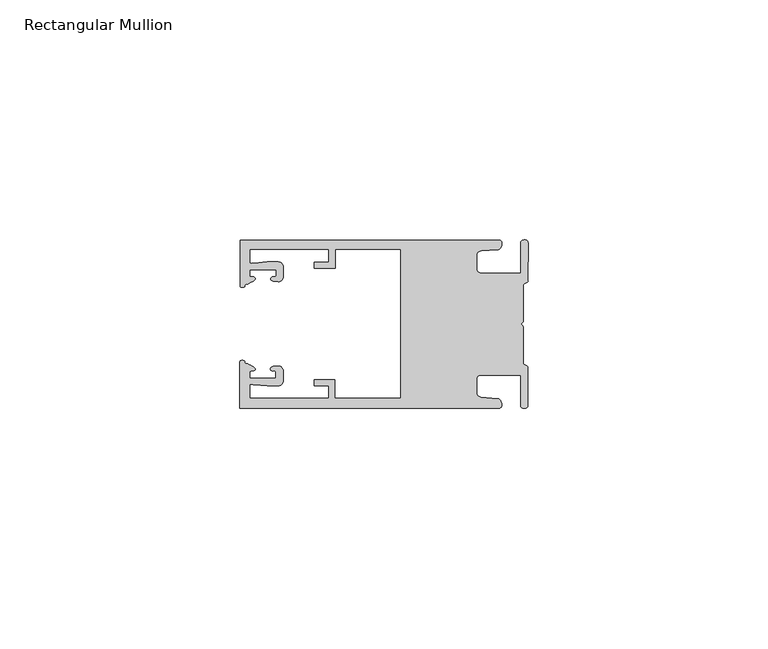
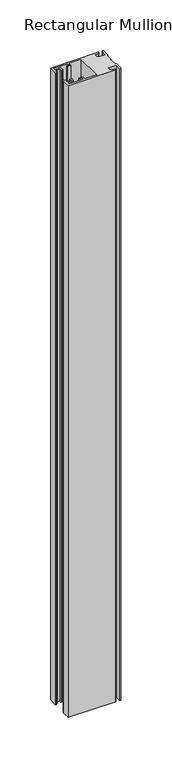
"""IFC4 building model written with IfcOpenShell, lengths in millimetres: member geometry, Rectangular Mullion."""

from ifc_helpers import new_model, si_unit, frame, origin, place, context, project, spatial, circle_curve, source, transform, mapped, element, save
from ifc_brep_helpers import plane_surface, cylinder_surface, extruded_surface, spline_curve, advanced_brep


def rectangular_mullion_a8331948(model_context):
    return source(origin(), model_context, "Body", "AdvancedBrep", [
        advanced_brep(
        [(-60.0749377, 17.5111528, 0.0), (-60.0749377, 8.0140787, 0.0), (-59.3252567, 7.7187455, 0.0), (-58.4967974, 8.36785, 0.0), (-58.0726619, 10.1173923, 0.0), (-58.0713101, 11.3673916, 0.0), (-52.5713133, 11.3614437, 0.0), (-52.5726651, 10.1114444, 0.0), (-53.1427626, 8.8955539, 0.0), (-52.0740172, 8.8609044, 0.0), (-51.0729364, 9.8598224, 0.0), (-51.0706653, 11.9598211, 0.0), (-52.0700692, 12.9609024, 0.0), (-54.3905105, 12.9622843, 0.0), (-57.1599646, 12.7230061, 0.0), (-58.0696339, 12.9173907, 0.0), (-58.066768, 15.5673891, 0.0), (-41.5667584, 15.5673891, 0.0), (-41.5695894, 12.9495468, 0.0), (-44.5695877, 12.9527912, 0.0), (-44.5709936, 11.6527919, 0.0), (-40.2709961, 11.6481417, 0.0), (-40.2667576, 15.5673891, 0.0), (-26.6002952, 15.5673891, 0.0), (-26.6002952, -15.4518424, 0.0), (-40.3003032, -15.4518424, 0.0), (-40.2960856, -11.5518447, 0.0), (-44.5960831, -11.5471945, 0.0), (-44.597489, -12.8471938, 0.0), (-41.5974907, -12.8504381, 0.0), (-41.6003025, -15.4504366, 0.0), (-58.1002928, -15.4325927, 0.0), (-58.097427, -12.7825943, 0.0), (-57.1873395, -12.5901776, 0.0), (-54.4184094, -12.8354453, 0.0), (-52.0979705, -12.8390822, 0.0), (-51.0964037, -11.8401649, 0.0), (-51.0941327, -9.7401662, 0.0), (-52.0930507, -8.7390853, 0.0), (-53.1618685, -8.7714231, 0.0), (-52.5944022, -9.9885439, 0.0), (-52.595754, -11.2385431, 0.0), (-58.0957508, -11.2325952, 0.0), (-58.094399, -9.9825959, 0.0), (-58.5147494, -8.2321403, 0.0), (-59.3418028, -7.5812455, 0.0), (-60.0921208, -7.8749565, 0.0), (-60.0921208, -17.4888267, 0.0), (-6.1024861, -17.4888267, 0.0), (-6.5218639, -15.488372, 0.0), (-9.8784944, -15.2205466, 0.0), (-10.7989567, -14.2226333, 0.0), (-10.7961029, -11.5837474, 0.0), (-9.8734844, -10.5878272, 0.0), (-1.5950266, -10.5934991, 0.0), (-1.601948, -16.9936935, 0.0), (-0.1017194, -16.7830581, 0.0), (-0.0933208, -9.0170082, 0.0), (-1.0923837, -8.1499018, 0.0), (-1.0842165, -0.5977972, 0.0), (-1.0829111, 0.6093089, 0.0), (-1.0747439, 8.1614135, 0.0), (-0.0738079, 9.026357, 0.0), (-0.0654093, 16.7924069, 0.0), (-1.5651789, 17.0062866, 0.0), (-1.5651789, 10.6183257, 0.0), (-9.8505511, 10.6183257, 0.0), (-10.7710133, 11.6162391, 0.0), (-10.7681595, 14.255125, 0.0), (-9.845541, 15.2510452, 0.0), (-6.4883391, 15.5116099, 0.0), (-6.0646356, 17.5111528, 0.0), (-60.0749377, 17.5111528, -762.3333333), (-6.0646356, 17.5111528, -762.3333333), (-6.4883391, 15.5116099, -762.3333333), (-9.845541, 15.2510452, -762.3333333), (-10.7681595, 14.255125, -762.3333333), (-10.7710133, 11.6162391, -762.3333333), (-9.8505511, 10.6183257, -762.3333333), (-1.5651789, 10.6183257, -762.3333333), (-1.5651789, 17.0062866, -762.3333333), (-0.0654093, 16.7924069, -762.3333333), (-0.0738079, 9.026357, -762.3333333), (-1.0747439, 8.1614135, -762.3333333), (-1.0829111, 0.6093089, -762.3333333), (-1.0842165, -0.5977972, -762.3333333), (-1.0923837, -8.1499018, -762.3333333), (-0.0933208, -9.0170082, -762.3333333), (-0.1017194, -16.7830581, -762.3333333), (-1.601948, -16.9936935, -762.3333333), (-1.5950266, -10.5934991, -762.3333333), (-9.8734844, -10.5878272, -762.3333333), (-10.7961029, -11.5837474, -762.3333333), (-10.7989567, -14.2226333, -762.3333333), (-9.8784944, -15.2205466, -762.3333333), (-6.5218639, -15.488372, -762.3333333), (-6.1024861, -17.4888267, -762.3333333), (-60.0921208, -17.4888267, -762.3333333), (-60.0921208, -7.8749565, -762.3333333), (-59.3418028, -7.5812455, -762.3333333), (-58.5147494, -8.2321403, -762.3333333), (-58.094399, -9.9825959, -762.3333333), (-58.0957508, -11.2325952, -762.3333333), (-52.595754, -11.2385431, -762.3333333), (-52.5944022, -9.9885439, -762.3333333), (-53.1618685, -8.7714231, -762.3333333), (-52.0930507, -8.7390853, -762.3333333), (-51.0941327, -9.7401662, -762.3333333), (-51.0964037, -11.8401649, -762.3333333), (-52.0979705, -12.8390823, -762.3333333), (-54.4184094, -12.8354453, -762.3333333), (-57.1873395, -12.5901776, -762.3333333), (-58.097427, -12.7825943, -762.3333333), (-58.1002928, -15.4325927, -762.3333333), (-41.6003025, -15.4504366, -762.3333333), (-41.5974907, -12.8504381, -762.3333333), (-44.597489, -12.8471938, -762.3333333), (-44.5960831, -11.5471945, -762.3333333), (-40.2960856, -11.5518447, -762.3333333), (-40.3003032, -15.4518424, -762.3333333), (-26.6002952, -15.4518424, -762.3333333), (-26.6002952, 15.5673891, -762.3333333), (-40.2667576, 15.5673891, -762.3333333), (-40.2709961, 11.6481417, -762.3333333), (-44.5709936, 11.6527919, -762.3333333), (-44.5695877, 12.9527912, -762.3333333), (-41.5695894, 12.9495468, -762.3333333), (-41.5667584, 15.5673891, -762.3333333), (-58.066768, 15.5673891, -762.3333333), (-58.0696339, 12.9173907, -762.3333333), (-57.1599646, 12.7230061, -762.3333333), (-54.3905105, 12.9622843, -762.3333333), (-52.0700692, 12.9609023, -762.3333333), (-51.0706653, 11.9598211, -762.3333333), (-51.0729364, 9.8598224, -762.3333333), (-52.0740172, 8.8609044, -762.3333333), (-53.1427626, 8.8955539, -762.3333333), (-52.5726651, 10.1114444, -762.3333333), (-52.5713133, 11.3614437, -762.3333333), (-58.0713101, 11.3673916, -762.3333333), (-58.0726619, 10.1173923, -762.3333333), (-58.4967974, 8.36785, -762.3333333), (-59.3252567, 7.7187455, -762.3333333), (-60.0749377, 8.0140787, -762.3333333)],
        [
            (0, 1),
            (1, 2, spline_curve(3, [(-60.0749377, 8.0140787, 0.0), (-60.075233123, 7.740904774, 0.0), (-59.825339491, 7.642460332, 0.0), (-59.3252567, 7.7187455, 0.0)], [4, 4], [0.0, 0.0019169337574178654])),
            (2, 3, spline_curve(3, [(-59.3252567, 7.7187455, 0.0), (-59.094460914, 7.75918372, 0.0), (-59.054835463, 7.902257199, 0.0), (-59.05559987, 8.233305614, 0.0), (-59.138729113, 8.4134359, 0.0), (-58.4967974, 8.36785, 0.0)], [4, 2, 4], [0.0, 0.0010199524164107188, 0.0024874514725970356])),
            (3, 4, spline_curve(3, [(-58.4967974, 8.36785, 0.0), (-57.022393378, 9.053435667, 0.0), (-56.827266887, 9.364828726, 0.0), (-56.982213078, 9.742623404, 0.0), (-57.177375211, 9.855581791, 0.0), (-57.697928101, 9.887955071, 0.0), (-57.997449153, 9.835475348, 0.0), (-58.0726619, 10.1173923, 0.0)], [4, 2, 2, 4], [0.0, 0.003269869179570428, 0.005490050486237203, 0.0073545767114364426])),
            (4, 5),
            (5, 6),
            (6, 7),
            (7, 8, spline_curve(3, [(-52.5726651, 10.1114444, 0.0), (-52.667195519, 9.760172042, 0.0), (-52.937094388, 9.861877724, 0.0), (-53.356237032, 9.895631753, 0.0), (-53.491940439, 9.811038713, 0.0), (-53.761900775, 9.511438033, 0.0), (-53.892893546, 9.278787104, 0.0), (-53.1427626, 8.8955539, 0.0)], [4, 2, 2, 4], [0.0, 0.001593963049934732, 0.0033360256320283306, 0.005339140673503943])),
            (8, 9),
            (9, 10, circle_curve(frame((-52.0729358, 9.8609038, 0.0), z_axis=(0.0, 0.0, 1.0), x_axis=(-0.0010814451158600304, -0.9999994152380598, 0.0)), 1.0)),
            (10, 11),
            (11, 12, circle_curve(frame((-52.0706647, 11.9609026, 0.0), z_axis=(0.0, 0.0, 1.0), x_axis=(-0.0010814451158600304, -0.9999994152380598, 0.0)), 1.0)),
            (12, 13),
            (13, 14),
            (14, 15, spline_curve(3, [(-57.1599646, 12.7230061, 0.0), (-57.631533854, 12.682262968, 0.0), (-58.018602985, 12.477800124, 0.0), (-58.0696339, 12.9173907, 0.0)], [4, 4], [0.0, 0.0014803385355886016])),
            (15, 16),
            (16, 17),
            (17, 18),
            (18, 19),
            (19, 20),
            (20, 21),
            (21, 22),
            (22, 23),
            (23, 24),
            (24, 25),
            (25, 26),
            (26, 27),
            (27, 28),
            (28, 29),
            (29, 30),
            (30, 31),
            (31, 32),
            (32, 33, spline_curve(3, [(-58.097427, -12.7825943, 0.0), (-58.045445419, -12.343115126, 0.0), (-57.658819528, -12.548414611, 0.0), (-57.1873395, -12.5901776, 0.0)], [4, 4], [0.0, 0.0014803385355886016])),
            (33, 34),
            (34, 35),
            (35, 36, circle_curve(frame((-52.0964031, -11.8390835, 0.0), z_axis=(0.0, 0.0, 1.0), x_axis=(0.0010814451158600304, 0.9999994152380598, 0.0)), 1.0)),
            (36, 37),
            (37, 38, circle_curve(frame((-52.0941321, -9.7390847, 0.0), z_axis=(0.0, 0.0, 1.0), x_axis=(0.0010814451158600304, 0.9999994152380598, 0.0)), 1.0)),
            (38, 39),
            (39, 40, spline_curve(3, [(-53.1618685, -8.7714231, 0.0), (-53.912826582, -9.153032958, 0.0), (-53.782337352, -9.385966711, 0.0), (-53.51302565, -9.686150585, 0.0), (-53.377505444, -9.771037009, 0.0), (-52.958290774, -9.738189618, 0.0), (-52.688172635, -9.637067904, 0.0), (-52.5944022, -9.9885439, 0.0)], [4, 2, 2, 4], [0.0, 0.002003115041475612, 0.0037451776235692107, 0.005339140673503943])),
            (40, 41),
            (41, 42),
            (42, 43),
            (43, 44, spline_curve(3, [(-58.094399, -9.9825959, 0.0), (-58.018576674, -9.700842284, 0.0), (-57.719169706, -9.753969703, 0.0), (-57.198548014, -9.722722397, 0.0), (-57.003142178, -9.61018632, 0.0), (-56.847379222, -9.232727657, 0.0), (-57.041831673, -8.920913336, 0.0), (-58.5147494, -8.2321403, 0.0)], [4, 2, 2, 4], [0.0, 0.0018645262251992395, 0.004084707531866015, 0.0073545767114364426])),
            (44, 45, spline_curve(3, [(-58.5147494, -8.2321403, 0.0), (-59.156778208, -8.276337666, 0.0), (-59.073259494, -8.096387681, 0.0), (-59.071779067, -7.765341694, 0.0), (-59.111095017, -7.622182811, 0.0), (-59.3418028, -7.5812455, 0.0)], [4, 2, 4], [0.0, 0.0014674990561863168, 0.0024874514725970356])),
            (45, 46, spline_curve(3, [(-59.3418028, -7.5812455, 0.0), (-59.841719425, -7.503878887, 0.0), (-60.091825377, -7.601782574, 0.0), (-60.0921208, -7.8749565, 0.0)], [4, 4], [0.0, 0.0019169337574178654])),
            (46, 47),
            (47, 48),
            (48, 49, spline_curve(3, [(-6.1024861, -17.4888267, 0.0), (-5.074532184, -17.418062188, 0.0), (-5.631140689, -15.411414367, 0.0), (-6.5218639, -15.488372, 0.0)], [4, 4], [0.0, 0.0043819361547461745])),
            (49, 50),
            (50, 51, spline_curve(3, [(-9.8784944, -15.2205466, 0.0), (-10.440691543, -15.150698463, 0.0), (-10.74751234, -14.818060727, 0.0), (-10.7989567, -14.2226333, 0.0)], [4, 4], [0.0, 0.0028645797420738927])),
            (51, 52),
            (52, 53, spline_curve(3, [(-10.7961029, -11.5837474, 0.0), (-10.743370817, -10.988432634, 0.0), (-10.435831301, -10.656459204, 0.0), (-9.8734844, -10.5878272, 0.0)], [4, 4], [0.0, 0.0028645797420738927])),
            (53, 54),
            (54, 55),
            (55, 56, spline_curve(3, [(-1.601948, -16.9936935, 0.0), (-1.655676874, -17.600261454, 0.0), (-0.043737403, -17.912795581, 0.0), (-0.1017194, -16.7830581, 0.0)], [4, 4], [0.0, 0.0036987374396357936])),
            (56, 57),
            (57, 58, spline_curve(3, [(-0.0933208, -9.0170082, 0.0), (-0.018818183, -8.695886697, 0.0), (-1.193434327, -8.459763043, 0.0), (-1.0923837, -8.1499018, 0.0)], [4, 4], [0.0, 0.002027216749630121])),
            (58, 59),
            (59, 60, spline_curve(3, [(-1.0842165, -0.5977972, 0.0), (-1.013223198, -0.445980437, 0.0), (-1.487945123, -0.206736825, 0.0), (-1.487409651, 0.231097965, 0.0), (-0.999110985, 0.429090391, 0.0), (-1.0829111, 0.6093089, 0.0)], [4, 2, 4], [0.0, 0.00249866671847065, 0.005031402919736269])),
            (60, 61),
            (61, 62, spline_curve(3, [(-1.0747439, 8.1614135, 0.0), (-1.175124095, 8.47149258, 0.0), (-7e-09, 8.705075107, 0.0), (-0.0738079, 9.026357, 0.0)], [4, 4], [0.0, 0.002027216749630121])),
            (62, 63),
            (63, 64, spline_curve(3, [(-0.0654093, 16.7924069, 0.0), (-0.004983942, 17.92201633, 0.0), (-1.617595709, 17.612969344, 0.0), (-1.5651789, 17.0062866, 0.0)], [4, 4], [0.0, 0.0036987374396357936])),
            (64, 65),
            (65, 66),
            (66, 67, spline_curve(3, [(-9.8505511, 10.6183257, 0.0), (-10.412748243, 10.688173837, 0.0), (-10.71956894, 11.020811673, 0.0), (-10.7710133, 11.6162391, 0.0)], [4, 4], [0.0, 0.0028645797420738927])),
            (67, 68),
            (68, 69, spline_curve(3, [(-10.7681595, 14.255125, 0.0), (-10.715427417, 14.850439766, 0.0), (-10.407887901, 15.182413196, 0.0), (-9.845541, 15.2510452, 0.0)], [4, 4], [0.0, 0.0028645797420738927])),
            (69, 70),
            (70, 71, spline_curve(3, [(-6.4883391, 15.5116099, 0.0), (-5.597784423, 15.432725911, 0.0), (-5.036837144, 17.438165103, 0.0), (-6.0646356, 17.5111528, 0.0)], [4, 4], [0.0, 0.0043819361547461745])),
            (71, 0),
            (72, 73),
            (73, 74, spline_curve(3, [(-6.0646356, 17.5111528, -762.3333333), (-5.036837144, 17.438165103, -762.3333333), (-5.597784423, 15.432725911, -762.3333333), (-6.4883391, 15.5116099, -762.3333333)], [4, 4], [0.0, 0.0043819361547461745])),
            (74, 75),
            (75, 76, spline_curve(3, [(-9.845541, 15.2510452, -762.3333333), (-10.407887901, 15.182413196, -762.3333333), (-10.715427417, 14.850439766, -762.3333333), (-10.7681595, 14.255125, -762.3333333)], [4, 4], [0.0, 0.0028645797420738927])),
            (76, 77),
            (77, 78, spline_curve(3, [(-10.7710133, 11.6162391, -762.3333333), (-10.71956894, 11.020811673, -762.3333333), (-10.412748243, 10.688173837, -762.3333333), (-9.8505511, 10.6183257, -762.3333333)], [4, 4], [0.0, 0.0028645797420738927])),
            (78, 79),
            (79, 80),
            (80, 81, spline_curve(3, [(-1.5651789, 17.0062866, -762.3333333), (-1.617595709, 17.612969344, -762.3333333), (-0.004983942, 17.92201633, -762.3333333), (-0.0654093, 16.7924069, -762.3333333)], [4, 4], [0.0, 0.0036987374396357936])),
            (81, 82),
            (82, 83, spline_curve(3, [(-0.0738079, 9.026357, -762.3333333), (-7e-09, 8.705075107, -762.3333333), (-1.175124095, 8.47149258, -762.3333333), (-1.0747439, 8.1614135, -762.3333333)], [4, 4], [0.0, 0.002027216749630121])),
            (83, 84),
            (84, 85, spline_curve(3, [(-1.0829111, 0.6093089, -762.3333333), (-0.999110985, 0.429090391, -762.3333333), (-1.487409651, 0.231097965, -762.3333333), (-1.487945123, -0.206736825, -762.3333333), (-1.013223198, -0.445980437, -762.3333333), (-1.0842165, -0.5977972, -762.3333333)], [4, 2, 4], [0.0, 0.002532736201265619, 0.005031402919736269])),
            (85, 86),
            (86, 87, spline_curve(3, [(-1.0923837, -8.1499018, -762.3333333), (-1.193434327, -8.459763043, -762.3333333), (-0.018818183, -8.695886697, -762.3333333), (-0.0933208, -9.0170082, -762.3333333)], [4, 4], [0.0, 0.002027216749630121])),
            (87, 88),
            (88, 89, spline_curve(3, [(-0.1017194, -16.7830581, -762.3333333), (-0.043737403, -17.912795581, -762.3333333), (-1.655676874, -17.600261454, -762.3333333), (-1.601948, -16.9936935, -762.3333333)], [4, 4], [0.0, 0.0036987374396357936])),
            (89, 90),
            (90, 91),
            (91, 92, spline_curve(3, [(-9.8734844, -10.5878272, -762.3333333), (-10.435831301, -10.656459204, -762.3333333), (-10.743370817, -10.988432634, -762.3333333), (-10.7961029, -11.5837474, -762.3333333)], [4, 4], [0.0, 0.0028645797420738927])),
            (92, 93),
            (93, 94, spline_curve(3, [(-10.7989567, -14.2226333, -762.3333333), (-10.74751234, -14.818060727, -762.3333333), (-10.440691543, -15.150698463, -762.3333333), (-9.8784944, -15.2205466, -762.3333333)], [4, 4], [0.0, 0.0028645797420738927])),
            (94, 95),
            (95, 96, spline_curve(3, [(-6.5218639, -15.488372, -762.3333333), (-5.631140689, -15.411414367, -762.3333333), (-5.074532184, -17.418062188, -762.3333333), (-6.1024861, -17.4888267, -762.3333333)], [4, 4], [0.0, 0.0043819361547461745])),
            (96, 97),
            (97, 98),
            (98, 99, spline_curve(3, [(-60.0921208, -7.8749565, -762.3333333), (-60.091825377, -7.601782574, -762.3333333), (-59.841719425, -7.503878887, -762.3333333), (-59.3418028, -7.5812455, -762.3333333)], [4, 4], [0.0, 0.0019169337574178654])),
            (99, 100, spline_curve(3, [(-59.3418028, -7.5812455, -762.3333333), (-59.111095017, -7.622182811, -762.3333333), (-59.071779067, -7.765341694, -762.3333333), (-59.073259494, -8.096387681, -762.3333333), (-59.156778208, -8.276337666, -762.3333333), (-58.5147494, -8.2321403, -762.3333333)], [4, 2, 4], [0.0, 0.0010199524164107188, 0.0024874514725970356])),
            (100, 101, spline_curve(3, [(-58.5147494, -8.2321403, -762.3333333), (-57.041831673, -8.920913336, -762.3333333), (-56.847379222, -9.232727657, -762.3333333), (-57.003142178, -9.61018632, -762.3333333), (-57.198548014, -9.722722397, -762.3333333), (-57.719169706, -9.753969703, -762.3333333), (-58.018576674, -9.700842284, -762.3333333), (-58.094399, -9.9825959, -762.3333333)], [4, 2, 2, 4], [0.0, 0.003269869179570428, 0.005490050486237203, 0.0073545767114364426])),
            (101, 102),
            (102, 103),
            (103, 104),
            (104, 105, spline_curve(3, [(-52.5944022, -9.9885439, -762.3333333), (-52.688172635, -9.637067904, -762.3333333), (-52.958290774, -9.738189618, -762.3333333), (-53.377505444, -9.771037009, -762.3333333), (-53.51302565, -9.686150585, -762.3333333), (-53.782337352, -9.385966711, -762.3333333), (-53.912826582, -9.153032958, -762.3333333), (-53.1618685, -8.7714231, -762.3333333)], [4, 2, 2, 4], [0.0, 0.001593963049934732, 0.0033360256320283306, 0.005339140673503943])),
            (105, 106),
            (106, 107, circle_curve(frame((-52.0941321, -9.7390847, -762.3333333), z_axis=(0.0, 0.0, -1.0), x_axis=(0.0010814451158600304, 0.9999994152380598, 0.0)), 1.0)),
            (107, 108),
            (108, 109, circle_curve(frame((-52.0964031, -11.8390835, -762.3333333), z_axis=(0.0, 0.0, -1.0), x_axis=(0.0010814451158600304, 0.9999994152380598, 0.0)), 1.0)),
            (109, 110),
            (110, 111),
            (111, 112, spline_curve(3, [(-57.1873395, -12.5901776, -762.3333333), (-57.658819528, -12.548414611, -762.3333333), (-58.045445419, -12.343115126, -762.3333333), (-58.097427, -12.7825943, -762.3333333)], [4, 4], [0.0, 0.0014803385355886016])),
            (112, 113),
            (113, 114),
            (114, 115),
            (115, 116),
            (116, 117),
            (117, 118),
            (118, 119),
            (119, 120),
            (120, 121),
            (121, 122),
            (122, 123),
            (123, 124),
            (124, 125),
            (125, 126),
            (126, 127),
            (127, 128),
            (128, 129),
            (129, 130, spline_curve(3, [(-58.0696339, 12.9173907, -762.3333333), (-58.018602985, 12.477800124, -762.3333333), (-57.631533854, 12.682262968, -762.3333333), (-57.1599646, 12.7230061, -762.3333333)], [4, 4], [0.0, 0.0014803385355886016])),
            (130, 131),
            (131, 132),
            (132, 133, circle_curve(frame((-52.0706647, 11.9609026, -762.3333333), z_axis=(0.0, 0.0, -1.0), x_axis=(-0.0010814451158600304, -0.9999994152380598, 0.0)), 1.0)),
            (133, 134),
            (134, 135, circle_curve(frame((-52.0729358, 9.8609038, -762.3333333), z_axis=(0.0, 0.0, -1.0), x_axis=(-0.0010814451158600304, -0.9999994152380598, 0.0)), 1.0)),
            (135, 136),
            (136, 137, spline_curve(3, [(-53.1427626, 8.8955539, -762.3333333), (-53.892893546, 9.278787104, -762.3333333), (-53.761900775, 9.511438033, -762.3333333), (-53.491940439, 9.811038713, -762.3333333), (-53.356237032, 9.895631753, -762.3333333), (-52.937094388, 9.861877724, -762.3333333), (-52.667195519, 9.760172042, -762.3333333), (-52.5726651, 10.1114444, -762.3333333)], [4, 2, 2, 4], [0.0, 0.002003115041475612, 0.0037451776235692107, 0.005339140673503943])),
            (137, 138),
            (138, 139),
            (139, 140),
            (140, 141, spline_curve(3, [(-58.0726619, 10.1173923, -762.3333333), (-57.997449153, 9.835475348, -762.3333333), (-57.697928101, 9.887955071, -762.3333333), (-57.177375211, 9.855581791, -762.3333333), (-56.982213078, 9.742623404, -762.3333333), (-56.827266887, 9.364828726, -762.3333333), (-57.022393378, 9.053435667, -762.3333333), (-58.4967974, 8.36785, -762.3333333)], [4, 2, 2, 4], [0.0, 0.0018645262251992395, 0.004084707531866015, 0.0073545767114364426])),
            (141, 142, spline_curve(3, [(-58.4967974, 8.36785, -762.3333333), (-59.138729113, 8.4134359, -762.3333333), (-59.05559987, 8.233305614, -762.3333333), (-59.054835463, 7.902257199, -762.3333333), (-59.094460914, 7.75918372, -762.3333333), (-59.3252567, 7.7187455, -762.3333333)], [4, 2, 4], [0.0, 0.0014674990561863168, 0.0024874514725970356])),
            (142, 143, spline_curve(3, [(-59.3252567, 7.7187455, -762.3333333), (-59.825339491, 7.642460332, -762.3333333), (-60.075233123, 7.740904774, -762.3333333), (-60.0749377, 8.0140787, -762.3333333)], [4, 4], [0.0, 0.0019169337574178654])),
            (143, 72),
            (0, 72),
            (143, 1),
            (142, 2),
            (141, 3),
            (140, 4),
            (139, 5),
            (138, 6),
            (137, 7),
            (136, 8),
            (135, 9),
            (134, 10),
            (133, 11),
            (132, 12),
            (131, 13),
            (130, 14),
            (129, 15),
            (128, 16),
            (127, 17),
            (126, 18),
            (125, 19),
            (124, 20),
            (123, 21),
            (122, 22),
            (121, 23),
            (120, 24),
            (119, 25),
            (118, 26),
            (117, 27),
            (116, 28),
            (115, 29),
            (114, 30),
            (113, 31),
            (112, 32),
            (111, 33),
            (110, 34),
            (109, 35),
            (108, 36),
            (107, 37),
            (106, 38),
            (105, 39),
            (104, 40),
            (103, 41),
            (102, 42),
            (101, 43),
            (100, 44),
            (99, 45),
            (98, 46),
            (97, 47),
            (96, 48),
            (95, 49),
            (94, 50),
            (93, 51),
            (92, 52),
            (91, 53),
            (90, 54),
            (89, 55),
            (88, 56),
            (87, 57),
            (86, 58),
            (85, 59),
            (84, 60),
            (83, 61),
            (82, 62),
            (81, 63),
            (80, 64),
            (79, 65),
            (78, 66),
            (77, 67),
            (76, 68),
            (75, 69),
            (74, 70),
            (73, 71),
        ],
        [
            plane_surface(frame((0.0, -62.5853181, 0.0), z_axis=(0.0, 0.0, 1.0), x_axis=(-1.0, 0.0, 0.0))),
            plane_surface(frame((0.0, -62.5853181, -762.3333333), z_axis=(0.0, 0.0, -1.0), x_axis=(-1.0, 0.0, 0.0))),
            plane_surface(frame((-60.0749377, 17.5111528, 0.0), z_axis=(-1.0, 0.0, 0.0), x_axis=(0.0, 0.0, -1.0))),
            extruded_surface(spline_curve(3, [(-60.0749377, 8.0140787, -762.3333333), (-60.075233123, 7.740904774, -762.3333333), (-59.825339491, 7.642460332, -762.3333333), (-59.3252567, 7.7187455, -762.3333333)], [4, 4], [0.0, 0.0019169337574178654]), (0.0, 0.0, 762.3333333), 762.3333333),
            extruded_surface(spline_curve(3, [(-59.3252567, 7.7187455, -762.3333333), (-59.094460914, 7.75918372, -762.3333333), (-59.054835463, 7.902257199, -762.3333333), (-59.05559987, 8.233305614, -762.3333333), (-59.138729113, 8.4134359, -762.3333333), (-58.4967974, 8.36785, -762.3333333)], [4, 2, 4], [0.0, 0.0010199524164107188, 0.0024874514725970356]), (0.0, 0.0, 762.3333333), 762.3333333),
            extruded_surface(spline_curve(3, [(-58.4967974, 8.36785, -762.3333333), (-57.022393378, 9.053435667, -762.3333333), (-56.827266887, 9.364828726, -762.3333333), (-56.982213078, 9.742623404, -762.3333333), (-57.177375211, 9.855581791, -762.3333333), (-57.697928101, 9.887955071, -762.3333333), (-57.997449153, 9.835475348, -762.3333333), (-58.0726619, 10.1173923, -762.3333333)], [4, 2, 2, 4], [0.0, 0.003269869179570428, 0.005490050486237203, 0.0073545767114364426]), (0.0, 0.0, 762.3333333), 762.3333333),
            plane_surface(frame((-58.0726619, 10.1173923, 0.0), z_axis=(0.9999994152380598, -0.0010814451158634145, 0.0), x_axis=(0.0, 0.0, -1.0))),
            plane_surface(frame((-58.0713101, 11.3673916, 0.0), z_axis=(-0.0010814451158616418, -0.9999994152380598, 0.0), x_axis=(0.0, 0.0, -1.0))),
            plane_surface(frame((-52.5713133, 11.3614437, 0.0), z_axis=(-0.9999994152380598, 0.0010814451158643293, 0.0), x_axis=(0.0, 0.0, -1.0))),
            extruded_surface(spline_curve(3, [(-52.5726651, 10.1114444, -762.3333333), (-52.667195519, 9.760172042, -762.3333333), (-52.937094388, 9.861877724, -762.3333333), (-53.356237032, 9.895631753, -762.3333333), (-53.491940439, 9.811038713, -762.3333333), (-53.761900775, 9.511438033, -762.3333333), (-53.892893546, 9.278787104, -762.3333333), (-53.1427626, 8.8955539, -762.3333333)], [4, 2, 2, 4], [0.0, 0.001593963049934732, 0.0033360256320283306, 0.005339140673503943]), (0.0, 0.0, 762.3333333), 762.3333333),
            plane_surface(frame((-53.1427626, 8.8955539, 0.0), z_axis=(-0.032403661401520414, -0.9994748634797054, 0.0), x_axis=(0.0, 0.0, -1.0))),
            cylinder_surface(frame((-52.0729358, 9.8609038, 0.0), z_axis=(0.0, 0.0, 1.0000000000000002), x_axis=(-0.0010814451158600304, -0.9999994152380598, 0.0)), 1.0),
            plane_surface(frame((-51.0729364, 9.8598224, 0.0), z_axis=(0.9999994152380598, -0.001081445115864059, 0.0), x_axis=(0.0, 0.0, -1.0))),
            cylinder_surface(frame((-52.0706647, 11.9609026, 0.0), z_axis=(0.0, 0.0, 1.0000000000000002), x_axis=(-0.0010814451158600304, -0.9999994152380598, 0.0)), 1.0),
            plane_surface(frame((-52.0700692, 12.9609023, 0.0), z_axis=(0.0005955716436318007, 0.999999822647193, 0.0), x_axis=(0.0, 0.0, -1.0))),
            plane_surface(frame((-54.3905105, 12.9622843, 0.0), z_axis=(-0.08607836189159865, 0.9962883697073147, 0.0), x_axis=(0.0, 0.0, -1.0))),
            extruded_surface(spline_curve(3, [(-57.1599646, 12.7230061, -762.3333333), (-57.631533854, 12.682262968, -762.3333333), (-58.018602985, 12.477800124, -762.3333333), (-58.0696339, 12.9173907, -762.3333333)], [4, 4], [0.0, 0.0014803385355886016]), (0.0, 0.0, 762.3333333), 762.3333333),
            plane_surface(frame((-58.0696339, 12.9173907, 0.0), z_axis=(0.9999994152380598, -0.0010814451158629996, 0.0), x_axis=(0.0, 0.0, -1.0))),
            plane_surface(frame((-58.066768, 15.5673891, 0.0), z_axis=(0.0, -1.0, 0.0), x_axis=(0.0, 0.0, -1.0))),
            plane_surface(frame((-41.5667584, 15.5673891, 0.0), z_axis=(-0.9999994152380598, 0.0010814451158636304, 0.0), x_axis=(0.0, 0.0, -1.0))),
            plane_surface(frame((-41.5695894, 12.9495468, 0.0), z_axis=(0.0010814451158615687, 0.9999994152380598, 0.0), x_axis=(0.0, 0.0, -1.0))),
            plane_surface(frame((-44.5695877, 12.9527912, 0.0), z_axis=(-0.9999994152380598, 0.0010814451158626742, 0.0), x_axis=(0.0, 0.0, -1.0))),
            plane_surface(frame((-44.5709936, 11.6527919, 0.0), z_axis=(-0.001081445115861604, -0.9999994152380598, 0.0), x_axis=(0.0, 0.0, -1.0))),
            plane_surface(frame((-40.2709961, 11.6481417, 0.0), z_axis=(0.9999994152380598, -0.001081445115863507, 0.0), x_axis=(0.0, 0.0, -1.0))),
            plane_surface(frame((-40.2667576, 15.5673891, 0.0), z_axis=(0.0, -1.0, 0.0), x_axis=(0.0, 0.0, -1.0))),
            plane_surface(frame((-26.6002952, 15.5673891, 0.0), z_axis=(-1.0, 0.0, 0.0), x_axis=(0.0, 0.0, -1.0))),
            plane_surface(frame((-26.6002952, -15.4518424, 0.0), z_axis=(0.0, 1.0, 0.0), x_axis=(0.0, 0.0, -1.0))),
            plane_surface(frame((-40.3003032, -15.4518424, 0.0), z_axis=(0.9999994152380598, -0.0010814451158565538, 0.0), x_axis=(0.0, 0.0, -1.0))),
            plane_surface(frame((-40.2960856, -11.5518447, 0.0), z_axis=(0.0010814451158584568, 0.9999994152380598, 0.0), x_axis=(0.0, 0.0, -1.0))),
            plane_surface(frame((-44.5960831, -11.5471945, 0.0), z_axis=(-0.9999994152380598, 0.0010814451158573867, 0.0), x_axis=(0.0, 0.0, -1.0))),
            plane_surface(frame((-44.597489, -12.8471938, 0.0), z_axis=(-0.0010814451158584922, -0.9999994152380598, 0.0), x_axis=(0.0, 0.0, -1.0))),
            plane_surface(frame((-41.5974907, -12.8504381, 0.0), z_axis=(-0.9999994152380598, 0.0010814451158564305, 0.0), x_axis=(0.0, 0.0, -1.0))),
            plane_surface(frame((-41.6003025, -15.4504366, 0.0), z_axis=(0.0010814451158583872, 0.9999994152380598, 0.0), x_axis=(0.0, 0.0, -1.0))),
            plane_surface(frame((-58.1002928, -15.4325927, 0.0), z_axis=(0.9999994152380598, -0.0010814451158570612, 0.0), x_axis=(0.0, 0.0, -1.0))),
            extruded_surface(spline_curve(3, [(-58.097427, -12.7825943, -762.3333333), (-58.045445419, -12.343115126, -762.3333333), (-57.658819528, -12.548414611, -762.3333333), (-57.1873395, -12.5901776, -762.3333333)], [4, 4], [0.0, 0.0014803385355886016]), (0.0, 0.0, 762.3333333), 762.3333333),
            plane_surface(frame((-57.1873395, -12.5901776, 0.0), z_axis=(-0.0882330216729926, -0.9960998614026876, 0.0), x_axis=(0.0, 0.0, -1.0))),
            plane_surface(frame((-54.4184094, -12.8354453, 0.0), z_axis=(-0.0015673183327880543, -0.9999987717558677, 0.0), x_axis=(0.0, 0.0, -1.0))),
            cylinder_surface(frame((-52.0964031, -11.8390835, 0.0), z_axis=(0.0, 0.0, 1.0000000000000002), x_axis=(0.0010814451158600304, 0.9999994152380598, 0.0)), 1.0),
            plane_surface(frame((-51.0964037, -11.8401649, 0.0), z_axis=(0.9999994152380598, -0.001081445115856002, 0.0), x_axis=(0.0, 0.0, -1.0))),
            cylinder_surface(frame((-52.0941321, -9.7390847, 0.0), z_axis=(0.0, 0.0, 1.0000000000000002), x_axis=(0.0010814451158600304, 0.9999994152380598, 0.0)), 1.0),
            plane_surface(frame((-52.0930507, -8.7390853, 0.0), z_axis=(-0.030241832452872642, 0.9995426111826812, 0.0), x_axis=(0.0, 0.0, -1.0))),
            extruded_surface(spline_curve(3, [(-53.1618685, -8.7714231, -762.3333333), (-53.912826582, -9.153032958, -762.3333333), (-53.782337352, -9.385966711, -762.3333333), (-53.51302565, -9.686150585, -762.3333333), (-53.377505444, -9.771037009, -762.3333333), (-52.958290774, -9.738189618, -762.3333333), (-52.688172635, -9.637067904, -762.3333333), (-52.5944022, -9.9885439, -762.3333333)], [4, 2, 2, 4], [0.0, 0.002003115041475612, 0.0037451776235692107, 0.005339140673503943]), (0.0, 0.0, 762.3333333), 762.3333333),
            plane_surface(frame((-52.5944022, -9.9885439, 0.0), z_axis=(-0.9999994152380598, 0.0010814451158557316, 0.0), x_axis=(0.0, 0.0, -1.0))),
            plane_surface(frame((-52.595754, -11.2385431, 0.0), z_axis=(0.001081445115858419, 0.9999994152380598, 0.0), x_axis=(0.0, 0.0, -1.0))),
            plane_surface(frame((-58.0957508, -11.2325952, 0.0), z_axis=(0.9999994152380598, -0.0010814451158566464, 0.0), x_axis=(0.0, 0.0, -1.0))),
            extruded_surface(spline_curve(3, [(-58.094399, -9.9825959, -762.3333333), (-58.018576674, -9.700842284, -762.3333333), (-57.719169706, -9.753969703, -762.3333333), (-57.198548014, -9.722722397, -762.3333333), (-57.003142178, -9.61018632, -762.3333333), (-56.847379222, -9.232727657, -762.3333333), (-57.041831673, -8.920913336, -762.3333333), (-58.5147494, -8.2321403, -762.3333333)], [4, 2, 2, 4], [0.0, 0.0018645262251992395, 0.004084707531866015, 0.0073545767114364426]), (0.0, 0.0, 762.3333333), 762.3333333),
            extruded_surface(spline_curve(3, [(-58.5147494, -8.2321403, -762.3333333), (-59.156778208, -8.276337666, -762.3333333), (-59.073259494, -8.096387681, -762.3333333), (-59.071779067, -7.765341694, -762.3333333), (-59.111095017, -7.622182811, -762.3333333), (-59.3418028, -7.5812455, -762.3333333)], [4, 2, 4], [0.0, 0.0014674990561863168, 0.0024874514725970356]), (0.0, 0.0, 762.3333333), 762.3333333),
            extruded_surface(spline_curve(3, [(-59.3418028, -7.5812455, -762.3333333), (-59.841719425, -7.503878887, -762.3333333), (-60.091825377, -7.601782574, -762.3333333), (-60.0921208, -7.8749565, -762.3333333)], [4, 4], [0.0, 0.0019169337574178654]), (0.0, 0.0, 762.3333333), 762.3333333),
            plane_surface(frame((-60.0921208, -7.8749565, 0.0), z_axis=(-1.0, 0.0, 0.0), x_axis=(0.0, 0.0, -1.0))),
            plane_surface(frame((-60.0921208, -17.4888267, 0.0), z_axis=(0.0, -1.0, 0.0), x_axis=(0.0, 0.0, -1.0))),
            extruded_surface(spline_curve(3, [(-6.1024861, -17.4888267, -762.3333333), (-5.074532184, -17.418062188, -762.3333333), (-5.631140689, -15.411414367, -762.3333333), (-6.5218639, -15.488372, -762.3333333)], [4, 4], [0.0, 0.0043819361547461745]), (0.0, 0.0, 762.3333333), 762.3333333),
            plane_surface(frame((-6.5218639, -15.488372, 0.0), z_axis=(0.07953716124904908, 0.9968319015663789, 0.0), x_axis=(0.0, 0.0, -1.0))),
            extruded_surface(spline_curve(3, [(-9.8784944, -15.2205466, -762.3333333), (-10.440691543, -15.150698463, -762.3333333), (-10.74751234, -14.818060727, -762.3333333), (-10.7989567, -14.2226333, -762.3333333)], [4, 4], [0.0, 0.0028645797420738927]), (0.0, 0.0, 762.3333333), 762.3333333),
            plane_surface(frame((-10.7989567, -14.2226333, 0.0), z_axis=(0.9999994152380598, -0.0010814451158568247, 0.0), x_axis=(0.0, 0.0, -1.0))),
            extruded_surface(spline_curve(3, [(-10.7961029, -11.5837474, -762.3333333), (-10.743370817, -10.988432634, -762.3333333), (-10.435831301, -10.656459204, -762.3333333), (-9.8734844, -10.5878272, -762.3333333)], [4, 4], [0.0, 0.0028645797420738927]), (0.0, 0.0, 762.3333333), 762.3333333),
            plane_surface(frame((-9.8734844, -10.5878272, 0.0), z_axis=(-0.0006851371995361226, -0.9999997652934814, 0.0), x_axis=(0.0, 0.0, -1.0))),
            plane_surface(frame((-1.5950266, -10.5934991, 0.0), z_axis=(-0.9999994152380598, 0.0010814451158568644, 0.0), x_axis=(0.0, 0.0, -1.0))),
            extruded_surface(spline_curve(3, [(-1.601948, -16.9936935, -762.3333333), (-1.655676874, -17.600261454, -762.3333333), (-0.043737403, -17.912795581, -762.3333333), (-0.1017194, -16.7830581, -762.3333333)], [4, 4], [0.0, 0.0036987374396357936]), (0.0, 0.0, 762.3333333), 762.3333333),
            plane_surface(frame((-0.1017194, -16.7830581, 0.0), z_axis=(0.9999994152380598, -0.001081445115856699, 0.0), x_axis=(0.0, 0.0, -1.0))),
            extruded_surface(spline_curve(3, [(-0.0933208, -9.0170082, -762.3333333), (-0.018818183, -8.695886697, -762.3333333), (-1.193434327, -8.459763043, -762.3333333), (-1.0923837, -8.1499018, -762.3333333)], [4, 4], [0.0, 0.002027216749630121]), (0.0, 0.0, 762.3333333), 762.3333333),
            plane_surface(frame((-1.0923837, -8.1499018, 0.0), z_axis=(0.9999994152380598, -0.0010814451158566698, 0.0), x_axis=(0.0, 0.0, -1.0))),
            extruded_surface(spline_curve(3, [(-1.0842165, -0.5977972, -762.3333333), (-1.013223198, -0.445980437, -762.3333333), (-1.487945123, -0.206736825, -762.3333333), (-1.487409651, 0.231097965, -762.3333333), (-0.999110985, 0.429090391, -762.3333333), (-1.0829111, 0.6093089, -762.3333333)], [4, 2, 4], [0.0, 0.00249866671847065, 0.005031402919736269]), (0.0, 0.0, 762.3333333), 762.3333333),
            plane_surface(frame((-1.0829111, 0.6093089, 0.0), z_axis=(0.9999994152380598, -0.001081445115863391, 0.0), x_axis=(0.0, 0.0, -1.0))),
            extruded_surface(spline_curve(3, [(-1.0747439, 8.1614135, -762.3333333), (-1.175124095, 8.47149258, -762.3333333), (-7e-09, 8.705075107, -762.3333333), (-0.0738079, 9.026357, -762.3333333)], [4, 4], [0.0, 0.002027216749630121]), (0.0, 0.0, 762.3333333), 762.3333333),
            plane_surface(frame((-0.0738079, 9.026357, 0.0), z_axis=(0.9999994152380598, -0.001081445115863362, 0.0), x_axis=(0.0, 0.0, -1.0))),
            extruded_surface(spline_curve(3, [(-0.0654093, 16.7924069, -762.3333333), (-0.004983942, 17.92201633, -762.3333333), (-1.617595709, 17.612969344, -762.3333333), (-1.5651789, 17.0062866, -762.3333333)], [4, 4], [0.0, 0.0036987374396357936]), (0.0, 0.0, 762.3333333), 762.3333333),
            plane_surface(frame((-1.5651789, 17.0062866, 0.0), z_axis=(-1.0, 0.0, 0.0), x_axis=(0.0, 0.0, -1.0))),
            plane_surface(frame((-1.5651789, 10.6183257, 0.0), z_axis=(0.0, 1.0, 0.0), x_axis=(0.0, 0.0, -1.0))),
            extruded_surface(spline_curve(3, [(-9.8505511, 10.6183257, -762.3333333), (-10.412748243, 10.688173837, -762.3333333), (-10.71956894, 11.020811673, -762.3333333), (-10.7710133, 11.6162391, -762.3333333)], [4, 4], [0.0, 0.0028645797420738927]), (0.0, 0.0, 762.3333333), 762.3333333),
            plane_surface(frame((-10.7710133, 11.6162391, 0.0), z_axis=(0.9999994152380598, -0.0010814451158632362, 0.0), x_axis=(0.0, 0.0, -1.0))),
            extruded_surface(spline_curve(3, [(-10.7681595, 14.255125, -762.3333333), (-10.715427417, 14.850439766, -762.3333333), (-10.407887901, 15.182413196, -762.3333333), (-9.845541, 15.2510452, -762.3333333)], [4, 4], [0.0, 0.0028645797420738927]), (0.0, 0.0, 762.3333333), 762.3333333),
            plane_surface(frame((-9.845541, 15.2510452, 0.0), z_axis=(0.07738093848608862, -0.9970015999781607, 0.0), x_axis=(0.0, 0.0, -1.0))),
            extruded_surface(spline_curve(3, [(-6.4883391, 15.5116099, -762.3333333), (-5.597784423, 15.432725911, -762.3333333), (-5.036837144, 17.438165103, -762.3333333), (-6.0646356, 17.5111528, -762.3333333)], [4, 4], [0.0, 0.0043819361547461745]), (0.0, 0.0, 762.3333333), 762.3333333),
            plane_surface(frame((-6.0646356, 17.5111528, 0.0), z_axis=(0.0, 1.0, 0.0), x_axis=(0.0, 0.0, -1.0))),
        ],
        [
            (0, [[1, 2, 3, 4, 5, 6, 7, 8, 9, 10, 11, 12, 13, 14, 15, 16, 17, 18, 19, 20, 21, 22, 23, 24, 25, 26, 27, 28, 29, 30, 31, 32, 33, 34, 35, 36, 37, 38, 39, 40, 41, 42, 43, 44, 45, 46, 47, 48, 49, 50, 51, 52, 53, 54, 55, 56, 57, 58, 59, 60, 61, 62, 63, 64, 65, 66, 67, 68, 69, 70, 71, 72]]),
            (1, [[73, 74, 75, 76, 77, 78, 79, 80, 81, 82, 83, 84, 85, 86, 87, 88, 89, 90, 91, 92, 93, 94, 95, 96, 97, 98, 99, 100, 101, 102, 103, 104, 105, 106, 107, 108, 109, 110, 111, 112, 113, 114, 115, 116, 117, 118, 119, 120, 121, 122, 123, 124, 125, 126, 127, 128, 129, 130, 131, 132, 133, 134, 135, 136, 137, 138, 139, 140, 141, 142, 143, 144]]),
            (2, [[-1, 145, -144, 146]]),
            (3, [[-2, -146, -143, 147]]),
            (4, [[-3, -147, -142, 148]]),
            (5, [[-4, -148, -141, 149]]),
            (6, [[-5, -149, -140, 150]]),
            (7, [[-6, -150, -139, 151]]),
            (8, [[-7, -151, -138, 152]]),
            (9, [[-8, -152, -137, 153]]),
            (10, [[-9, -153, -136, 154]]),
            (11, [[-10, -154, -135, 155]]),
            (12, [[-11, -155, -134, 156]]),
            (13, [[-12, -156, -133, 157]]),
            (14, [[-13, -157, -132, 158]]),
            (15, [[-14, -158, -131, 159]]),
            (16, [[-15, -159, -130, 160]]),
            (17, [[-16, -160, -129, 161]]),
            (18, [[-17, -161, -128, 162]]),
            (19, [[-18, -162, -127, 163]]),
            (20, [[-19, -163, -126, 164]]),
            (21, [[-20, -164, -125, 165]]),
            (22, [[-21, -165, -124, 166]]),
            (23, [[-22, -166, -123, 167]]),
            (24, [[-23, -167, -122, 168]]),
            (25, [[-24, -168, -121, 169]]),
            (26, [[-25, -169, -120, 170]]),
            (27, [[-26, -170, -119, 171]]),
            (28, [[-27, -171, -118, 172]]),
            (29, [[-28, -172, -117, 173]]),
            (30, [[-29, -173, -116, 174]]),
            (31, [[-30, -174, -115, 175]]),
            (32, [[-31, -175, -114, 176]]),
            (33, [[-32, -176, -113, 177]]),
            (34, [[-33, -177, -112, 178]]),
            (35, [[-34, -178, -111, 179]]),
            (36, [[-35, -179, -110, 180]]),
            (37, [[-36, -180, -109, 181]]),
            (38, [[-37, -181, -108, 182]]),
            (39, [[-38, -182, -107, 183]]),
            (40, [[-39, -183, -106, 184]]),
            (41, [[-40, -184, -105, 185]]),
            (42, [[-41, -185, -104, 186]]),
            (43, [[-42, -186, -103, 187]]),
            (44, [[-43, -187, -102, 188]]),
            (45, [[-44, -188, -101, 189]]),
            (46, [[-45, -189, -100, 190]]),
            (47, [[-46, -190, -99, 191]]),
            (48, [[-47, -191, -98, 192]]),
            (49, [[-48, -192, -97, 193]]),
            (50, [[-49, -193, -96, 194]]),
            (51, [[-50, -194, -95, 195]]),
            (52, [[-51, -195, -94, 196]]),
            (53, [[-52, -196, -93, 197]]),
            (54, [[-53, -197, -92, 198]]),
            (55, [[-54, -198, -91, 199]]),
            (56, [[-55, -199, -90, 200]]),
            (57, [[-56, -200, -89, 201]]),
            (58, [[-57, -201, -88, 202]]),
            (59, [[-58, -202, -87, 203]]),
            (60, [[-59, -203, -86, 204]]),
            (61, [[-60, -204, -85, 205]]),
            (62, [[-61, -205, -84, 206]]),
            (63, [[-62, -206, -83, 207]]),
            (64, [[-63, -207, -82, 208]]),
            (65, [[-64, -208, -81, 209]]),
            (66, [[-65, -209, -80, 210]]),
            (67, [[-66, -210, -79, 211]]),
            (68, [[-67, -211, -78, 212]]),
            (69, [[-68, -212, -77, 213]]),
            (70, [[-69, -213, -76, 214]]),
            (71, [[-70, -214, -75, 215]]),
            (72, [[-71, -215, -74, 216]]),
            (73, [[-72, -216, -73, -145]]),
        ],
    ),
    ])


if __name__ == "__main__":
    model = new_model("IFC4")
    model_context = context("Model", 3, world=origin())
    ifc_project = project(units=[si_unit("LENGTHUNIT", "METRE", prefix="MILLI")], contexts=[model_context])
    site = spatial("IfcSite", under=ifc_project)
    building = spatial("IfcBuilding", under=site)
    placement = place(None, origin())
    rectangular_mullion_shape = rectangular_mullion_a8331948(model_context)
    element("IfcMember", 1, ObjectType="Rectangular Mullion", at=placement, inside=building, context=model_context, shape_type="MappedRepresentation", body=[
        mapped(rectangular_mullion_shape, transform((0.0, 0.0, 0.0), x_axis=(1.0, 0.0, 0.0), y_axis=(0.0, 1.0, 0.0), z_axis=(0.0, 0.0, 1.0))),
    ])
    save(model, "model.ifc")
